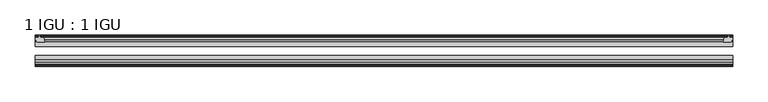
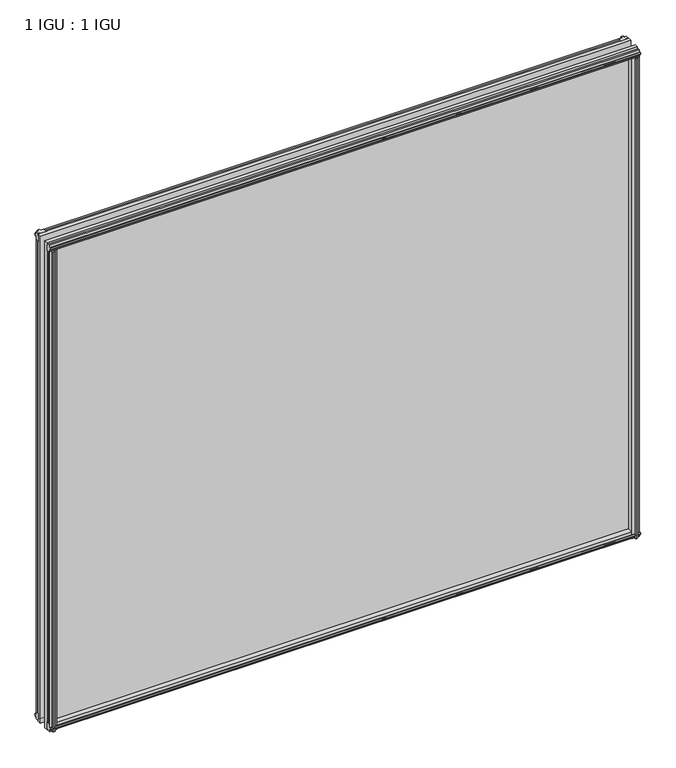
"""IFC4 building model written with IfcOpenShell, lengths in millimetres: plate geometry, 1 IGU : 1 IGU."""

from ifc_helpers import new_model, si_unit, frame, origin, place, context, project, spatial, polyline, outline, extrude, source, transform, mapped, element, save


def plate_1_igu_1_igu_2fb40dd0(model_context):
    return source(origin(), model_context, "Body", "SweptSolid", [
        extrude(outline(polyline([(487.2931709, -10.4746158), (489.4707, -9.7670938), (491.6482291, -10.4746158), (491.6482291, -11.27583), (490.2327, -10.8158968), (490.6137, -13.1960938), (495.0587, -13.1960938), (495.0587, -16.1424938), (492.2243578, -19.5460938), (481.4029819, -19.5460938), (483.1207, -13.1960938), (488.3277, -13.1960938), (488.7087, -10.8158968), (487.2931709, -11.27583), (487.2931709, -10.4746158)])), frame((0.0, 0.0, -12.4587), z_axis=(0.0, 0.0, 1.0), x_axis=(1.0, 0.0, 0.0)), (0.0, 0.0, 1.0), 863.1174),
        extrude(outline(polyline([(-489.4707, -9.7670937), (-487.2931709, -10.4746158), (-487.2931709, -11.27583), (-488.7087, -10.8158968), (-488.3277, -13.1960937), (-483.1207, -13.1960937), (-481.4029819, -19.5460937), (-492.2243578, -19.5460937), (-495.0587, -16.1424937), (-495.0587, -13.1960937), (-490.6137, -13.1960937), (-490.2327, -10.8158968), (-491.6482291, -11.27583), (-491.6482291, -10.4746158), (-489.4707, -9.7670937)])), frame((0.0, 0.0, -12.4587), z_axis=(0.0, 0.0, 1.0), x_axis=(1.0, 0.0, 0.0)), (0.0, 0.0, 1.0), 863.1174),
        extrude(outline(polyline([(480.8855839, -44.9460938), (491.7069598, -44.9460938), (494.541302, -48.3496938), (494.541302, -51.2960938), (490.096302, -51.2960938), (489.715302, -53.6762907), (491.130831, -53.2163575), (491.130831, -54.0175717), (488.953302, -54.7250938), (486.7757729, -54.0175717), (486.7757729, -53.2163575), (488.191302, -53.6762907), (487.810302, -51.2960938), (482.603302, -51.2960938), (480.8855839, -44.9460938)])), frame((0.0, 0.0, -12.4587), z_axis=(0.0, 0.0, 1.0), x_axis=(1.0, 0.0, 0.0)), (0.0, 0.0, 1.0), 850.4174),
        extrude(outline(polyline([(-480.8822819, -44.9460937), (-482.6, -51.2960937), (-487.807, -51.2960937), (-488.188, -53.6762907), (-486.7724709, -53.2163575), (-486.7724709, -54.0175717), (-488.95, -54.7250937), (-491.1275291, -54.0175717), (-491.1275291, -53.2163575), (-489.712, -53.6762907), (-490.093, -51.2960937), (-494.538, -51.2960937), (-494.538, -48.3496937), (-491.7036578, -44.9460937), (-480.8822819, -44.9460937)])), frame((0.0, 0.0, -12.4587), z_axis=(0.0, 0.0, 1.0), x_axis=(1.0, 0.0, 0.0)), (0.0, 0.0, 1.0), 850.4174),
        extrude(outline(polyline([(-10.4746158, -4.6931709), (-9.7670937, -6.8707), (-10.4746158, -9.0482291), (-11.27583, -9.0482291), (-10.8158968, -7.6327), (-13.1960937, -8.0137), (-13.1960937, -12.4587), (-16.1424937, -12.4587), (-19.5460937, -9.6243578), (-19.5460937, 1.1970181), (-13.1960937, -0.5207), (-13.1960937, -5.7277), (-10.8158968, -6.1087), (-11.27583, -4.6931709), (-10.4746158, -4.6931709)])), frame((-495.3, 0.0, 0.0), z_axis=(1.0, 0.0, 0.0), x_axis=(0.0, 1.0, 0.0)), (0.0, 0.0, 1.0), 990.6),
        extrude(outline(polyline([(-44.9460937, 1.7177181), (-44.9460937, -9.1036578), (-48.3496937, -11.938), (-51.2960937, -11.938), (-51.2960937, -7.493), (-53.6762907, -7.112), (-53.2163575, -8.5275291), (-54.0175717, -8.5275291), (-54.7250937, -6.35), (-54.0175717, -4.1724709), (-53.2163575, -4.1724709), (-53.6762907, -5.588), (-51.2960937, -5.207), (-51.2960937, 0.0), (-44.9460937, 1.7177181)])), frame((-495.3, 0.0, 0.0), z_axis=(1.0, 0.0, 0.0), x_axis=(0.0, 1.0, 0.0)), (0.0, 0.0, 1.0), 990.6),
        extrude(outline(polyline([(-10.8158968, 845.8327), (-11.27583, 847.2482291), (-10.4746158, 847.2482291), (-9.7670937, 845.0707), (-10.4746158, 842.8931709), (-11.27583, 842.8931709), (-10.8158968, 844.3087), (-13.1960937, 843.9277), (-13.1960937, 838.7207), (-19.5460938, 837.0029819), (-19.5460938, 847.8243578), (-16.1424937, 850.6587), (-13.1960937, 850.6587), (-13.1960937, 846.2137), (-10.8158968, 845.8327)])), frame((-495.3, 0.0, 0.0), z_axis=(1.0, 0.0, 0.0), x_axis=(0.0, 1.0, 0.0)), (0.0, 0.0, 1.0), 990.6),
        extrude(outline(polyline([(-51.2960937, 850.138), (-48.3496937, 850.138), (-44.9460938, 847.3036578), (-44.9460938, 836.4822819), (-51.2960937, 838.2), (-51.2960937, 843.407), (-53.6762907, 843.788), (-53.2163575, 842.3724709), (-54.0175717, 842.3724709), (-54.7250937, 844.55), (-54.0175717, 846.7275291), (-53.2163575, 846.7275291), (-53.6762907, 845.312), (-51.2960937, 845.693), (-51.2960937, 850.138)])), frame((-495.3, 0.0, 0.0), z_axis=(1.0, 0.0, 0.0), x_axis=(0.0, 1.0, 0.0)), (0.0, 0.0, 1.0), 990.6),
        extrude(outline(polyline([(-495.3, -38.9186738), (495.3, -38.9186738), (495.3, -44.9460937), (-495.3, -44.9460937), (-495.3, -38.9186738)])), frame((0.0, 0.0, -12.7), z_axis=(0.0, 0.0, 1.0), x_axis=(1.0, 0.0, 0.0)), (0.0, 0.0, 1.0), 863.6),
        extrude(outline(polyline([(-495.3, -19.5460937), (495.3, -19.5460937), (495.3, -25.8960938), (-495.3, -25.8960938), (-495.3, -19.5460937)])), frame((0.0, 0.0, -12.7), z_axis=(0.0, 0.0, 1.0), x_axis=(1.0, 0.0, 0.0)), (0.0, 0.0, 1.0), 863.6),
    ])


if __name__ == "__main__":
    model = new_model("IFC4")
    model_context = context("Model", 3, world=origin())
    ifc_project = project(units=[si_unit("LENGTHUNIT", "METRE", prefix="MILLI")], contexts=[model_context])
    site = spatial("IfcSite", under=ifc_project)
    building = spatial("IfcBuilding", under=site)
    placement = place(None, origin())
    plate_1_igu_1_igu_shape = plate_1_igu_1_igu_2fb40dd0(model_context)
    element("IfcPlate", 1, ObjectType="1 IGU : 1 IGU", at=placement, inside=building, context=model_context, shape_type="MappedRepresentation", body=[
        mapped(plate_1_igu_1_igu_shape, transform((0.0, 0.0, 0.0), x_axis=(1.0, 0.0, 0.0), y_axis=(0.0, 1.0, 0.0), z_axis=(0.0, 0.0, 1.0))),
    ])
    save(model, "model.ifc")
